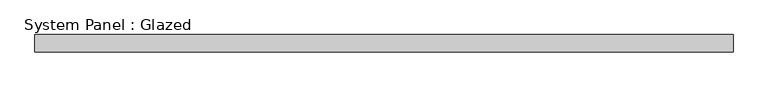
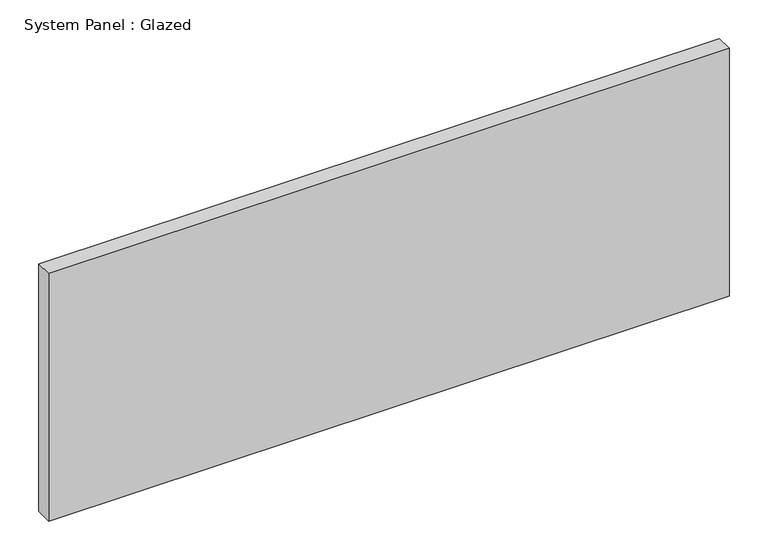
"""IFC4 building model written with IfcOpenShell, lengths in millimetres: plate geometry, System Panel : Glazed."""

from ifc_helpers import new_model, si_unit, origin, origin_with_axes, place, context, project, spatial, polyline, outline, extrude, source, transform, mapped, element, save


def system_panel_glazed_0a1df014(model_context):
    return source(origin(), model_context, "Body", "SweptSolid", [
        extrude(outline(polyline([(508.0, 19.05), (-508.0, 19.05), (-508.0, 44.45), (508.0, 44.45), (508.0, 19.05)])), origin_with_axes(), (0.0, 0.0, 1.0), 390.9785714),
    ])


if __name__ == "__main__":
    model = new_model("IFC4")
    model_context = context("Model", 3, world=origin())
    ifc_project = project(units=[si_unit("LENGTHUNIT", "METRE", prefix="MILLI")], contexts=[model_context])
    site = spatial("IfcSite", under=ifc_project)
    building = spatial("IfcBuilding", under=site)
    placement = place(None, origin())
    system_panel_glazed_shape = system_panel_glazed_0a1df014(model_context)
    element("IfcPlate", 1, ObjectType="System Panel : Glazed", at=placement, inside=building, context=model_context, shape_type="MappedRepresentation", body=[
        mapped(system_panel_glazed_shape, transform((0.0, 0.0, 0.0), x_axis=(1.0, 0.0, 0.0), y_axis=(0.0, 1.0, 0.0), z_axis=(0.0, 0.0, 1.0))),
    ])
    save(model, "model.ifc")
